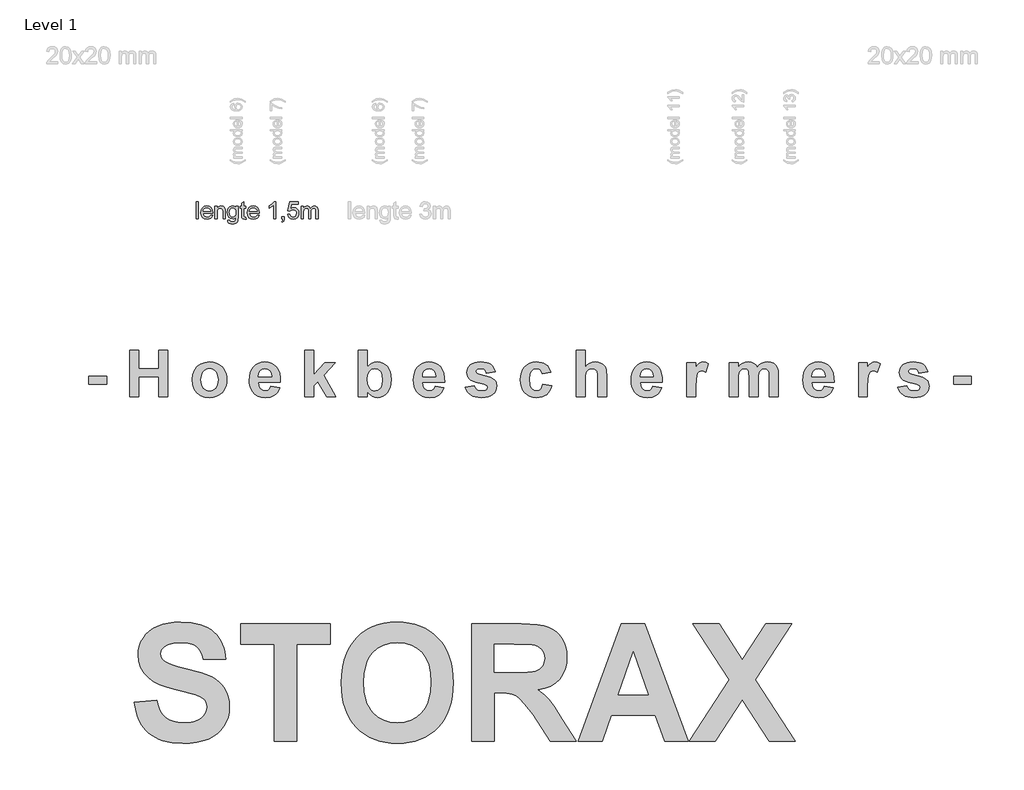
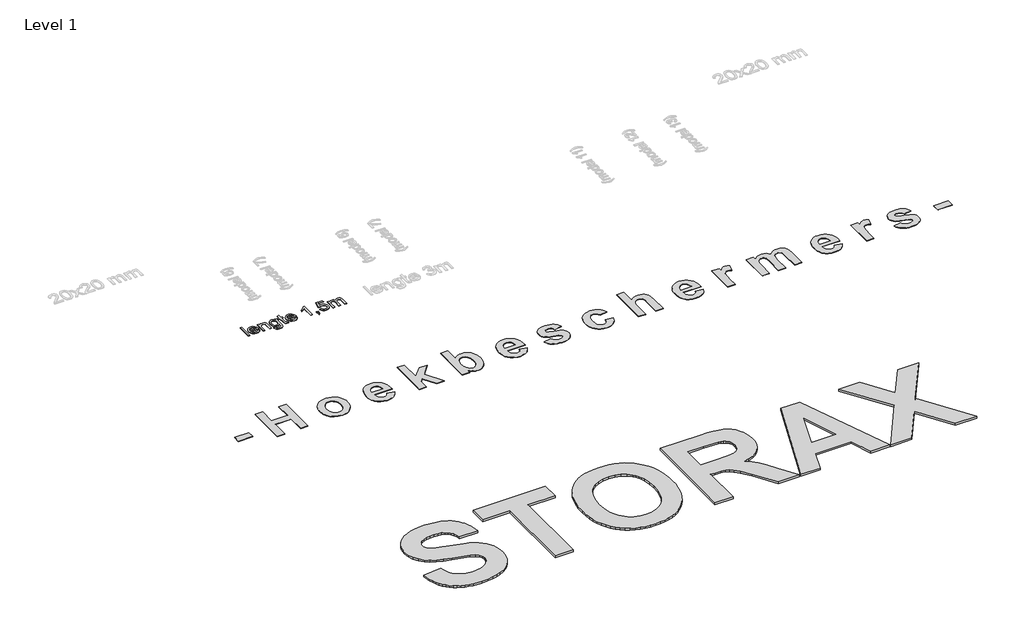
# One storey, part 1 of 5: 3 proxies.
"""IFC4 building model written with IfcOpenShell, lengths in millimetres."""

from ifc_helpers import new_model, si_unit, origin, origin_with_axes, place, context, project, spatial, polyline, outline, extrude, element, save

model = new_model("IFC4")

# Units and contexts
model_context = context("Model", 3, world=origin())
ifc_project = project(units=[si_unit("LENGTHUNIT", "METRE", prefix="MILLI")], contexts=[model_context])

# Site, building, storey
site = spatial("IfcSite", under=ifc_project)
building = spatial("IfcBuilding", under=site)
storey = spatial("IfcBuildingStorey", under=building, Name="Level 1", Elevation=0.0)

# Proxies
placement = place(None, origin())
element("IfcBuildingElementProxy", 1, Name="1000mm", ObjectType="1000mm", at=placement, inside=storey, context=model_context, shape_type="SweptSolid", body=[
    extrude(outline(polyline([(-3572.325103, -19296.9304702), (-3381.075103, -19280.9929702), (-3369.4955132, -19327.0311783), (-3353.184478, -19366.532521), (-3332.1419976, -19399.4969986), (-3306.3680718, -19425.9246109), (-3275.7848809, -19446.1888931), (-3240.314605, -19460.6633804), (-3199.9572441, -19469.3480728), (-3154.7127983, -19472.2429702), (-3107.1648857, -19469.682698), (-3065.873687, -19462.0018814), (-3030.8392021, -19449.2005203), (-3002.0614311, -19431.2786148), (-2979.6181938, -19409.932637), (-2963.5873101, -19386.8590591), (-2953.9687798, -19362.0578811), (-2950.762603, -19335.5291031), (-2956.085479, -19303.0004165), (-2972.0541069, -19275.6389663), (-3001.3454888, -19252.5109146), (-3046.6366265, -19232.6824234), (-3212.4862358, -19190.0994156), (-3289.4656059, -19169.3215225), (-3354.0560601, -19146.084523), (-3406.2575981, -19120.388417), (-3446.0702202, -19092.2332046), (-3487.3614189, -19048.6385391), (-3516.8551323, -19000.5303238), (-3534.5513603, -18947.9085586), (-3540.450103, -18890.7732437), (-3537.7419731, -18853.1707046), (-3529.6175835, -18816.8132827), (-3516.0769341, -18781.7009781), (-3497.1200249, -18747.8337906), (-3473.0581352, -18716.5657852), (-3444.2025444, -18689.2510269), (-3410.5532524, -18665.8895157), (-3372.1102593, -18646.4812515), (-3329.1692803, -18631.228566), (-3282.0260308, -18620.3337906), (-3230.6805107, -18613.7969253), (-3175.1327202, -18611.6179702), (-3086.7060539, -18617.049794), (-3046.8642494, -18623.8395736), (-3009.9367974, -18633.3452652), (-2975.9236977, -18645.5668686), (-2944.8249504, -18660.5043838), (-2916.6405556, -18678.1578109), (-2891.3705132, -18698.5271499), (-2868.9720223, -18721.1610458), (-2849.402282, -18745.6081436), (-2832.6612923, -18771.8684433), (-2818.7490532, -18799.9419449), (-2807.6655648, -18829.8286483), (-2799.4108269, -18861.5285537), (-2791.387603, -18930.3679702), (-2982.637603, -18930.3679702), (-2991.2833855, -18894.8276565), (-3003.7734673, -18864.6569107), (-3020.1078484, -18839.8557327), (-3040.2865288, -18820.4241226), (-3065.1499626, -18805.7706497), (-3095.538604, -18795.3038833), (-3131.4524529, -18789.0238235), (-3172.8915093, -18786.9304702), (-3216.0970757, -18789.1561172), (-3254.3221733, -18795.8330581), (-3287.5668022, -18806.961293), (-3315.8309624, -18822.5408218), (-3330.4299614, -18834.9608658), (-3340.8578179, -18849.3108413), (-3347.1145317, -18865.5907486), (-3349.200103, -18883.8005874), (-3347.3012993, -18900.7186172), (-3341.6048882, -18916.3604019), (-3332.1108696, -18930.7259414), (-3318.8192436, -18943.8152359), (-3292.6328728, -18959.7605179), (-3252.6723931, -18975.9703872), (-3198.9378044, -18992.444844), (-3131.4291069, -19009.1838882), (-3002.0303032, -19043.7358902), (-2951.8754265, -19061.6188858), (-2911.4168999, -19079.9065445), (-2877.73648, -19100.1007889), (-2847.9159233, -19123.7035415), (-2821.95523, -19150.7148025), (-2799.8543999, -19181.1345718), (-2782.2048638, -19215.141835), (-2769.5980522, -19252.9155777), (-2762.0339653, -19294.4557998), (-2759.512603, -19339.7625015), (-2762.4931023, -19381.9097183), (-2771.4346001, -19422.6873062), (-2786.3370964, -19462.0952652), (-2807.2005913, -19500.1335952), (-2833.5192559, -19535.0902603), (-2864.7872612, -19565.2532242), (-2901.0046074, -19590.6224869), (-2942.1712944, -19611.1980484), (-2988.4974358, -19627.1044204), (-3040.193145, -19638.4661148), (-3097.2584221, -19645.2831314), (-3159.6932671, -19647.5554702), (-3249.0615532, -19641.9602249), (-3289.6134636, -19634.9661682), (-3327.4105522, -19625.1744888), (-3362.4528191, -19612.5851867), (-3394.7402642, -19597.198262), (-3424.2728874, -19579.0137146), (-3451.050689, -19558.0315445), (-3475.1709435, -19534.3684814), (-3496.7309258, -19508.1412552), (-3515.7306359, -19479.3498657), (-3532.1700737, -19447.994313), (-3546.0492394, -19414.0745971), (-3557.3681328, -19377.5907181), (-3572.325103, -19296.9304702)])), origin_with_axes(), (0.0, 0.0, 1.0), 20.0),
    extrude(outline(polyline([(-2377.012603, -19631.6179702), (-2377.012603, -18802.8679702), (-2663.887603, -18802.8679702), (-2663.887603, -18627.5554702), (-1898.887603, -18627.5554702), (-1898.887603, -18802.8679702), (-2185.762603, -18802.8679702), (-2185.762603, -19631.6179702), (-2377.012603, -19631.6179702)])), origin_with_axes(), (0.0, 0.0, 1.0), 20.0),
    extrude(outline(polyline([(-1803.262603, -19135.8123062), (-1800.4455254, -19062.3192642), (-1791.9942925, -18994.9895523), (-1777.9089043, -18933.8231704), (-1758.1893608, -18878.8201187), (-1739.8472283, -18841.5677688), (-1718.4389946, -18806.2609146), (-1693.9646599, -18772.8995559), (-1666.4242241, -18741.4836929), (-1636.6581413, -18713.0094192), (-1605.5068657, -18688.4728286), (-1572.9703972, -18667.8739212), (-1539.0487358, -18651.2126968), (-1491.2051079, -18633.8900039), (-1439.812896, -18621.5166519), (-1384.8721001, -18614.0926407), (-1326.3827202, -18611.6179702), (-1273.2706902, -18613.7638519), (-1222.882354, -18620.2014969), (-1175.2177117, -18630.9309051), (-1130.2767632, -18645.9520767), (-1088.0595085, -18665.2650116), (-1048.5659477, -18688.8697098), (-1011.7960808, -18716.7661712), (-977.7499077, -18748.954396), (-947.1083519, -18784.9635742), (-920.5523369, -18824.3228958), (-898.0818627, -18867.0323608), (-879.6969292, -18913.0919693), (-865.3975365, -18962.5017212), (-855.1836846, -19015.2616165), (-849.0553734, -19071.3716552), (-847.012603, -19130.8318374), (-849.0398094, -19189.8776291), (-855.1214287, -19245.6160782), (-865.2574608, -19298.0471847), (-879.4479058, -19347.1709488), (-897.6927635, -19392.9873703), (-919.9920342, -19435.4964493), (-946.3457176, -19474.6981857), (-976.753814, -19510.5925796), (-1010.5587456, -19542.6932571), (-1047.1029351, -19570.5138443), (-1086.3863823, -19594.0543411), (-1128.4090874, -19613.3147476), (-1173.1710503, -19628.2950638), (-1220.672271, -19638.9952896), (-1270.9127495, -19645.4154251), (-1323.8924858, -19647.5554702), (-1377.4558708, -19645.4251526), (-1428.2021782, -19639.0341995), (-1476.131408, -19628.3826111), (-1521.2435601, -19613.4703872), (-1563.5386345, -19594.297528), (-1603.0166313, -19570.8640335), (-1639.6775505, -19543.1699035), (-1673.5213921, -19511.2151382), (-1703.9294884, -19475.5250213), (-1730.2831719, -19436.6248367), (-1752.5824425, -19394.5145843), (-1770.8273003, -19349.1942642), (-1785.0177452, -19300.6638763), (-1795.1537773, -19248.9234207), (-1801.2353966, -19193.9728973), (-1803.262603, -19135.8123062)]), holes=[polyline([(-1612.012603, -19128.8396499), (-1606.9309685, -19208.2625625), (-1591.6860649, -19277.4443863), (-1580.2523873, -19308.1948898), (-1566.2778923, -19336.3851211), (-1549.7625801, -19362.0150802), (-1530.7064507, -19385.0847671), (-1487.3063347, -19423.216481), (-1438.4121392, -19450.4534195), (-1384.023864, -19466.7955826), (-1324.1415093, -19472.2429702), (-1264.3214104, -19466.8344925), (-1210.1199028, -19450.6090591), (-1161.5369866, -19423.5666702), (-1118.5726616, -19385.7073257), (-1099.7499916, -19362.7212951), (-1083.437011, -19337.0310257), (-1069.6337197, -19308.6365173), (-1058.3401177, -19277.5377701), (-1043.2819817, -19207.2275589), (-1038.262603, -19126.1003921), (-1043.149688, -19046.1016128), (-1057.8109429, -18976.9353531), (-1068.806884, -18946.414418), (-1082.2463677, -18918.6016128), (-1098.1293938, -18893.4969375), (-1116.4559624, -18871.1003921), (-1158.7588188, -18834.2760513), (-1207.4740288, -18807.9729507), (-1262.6015923, -18792.1910904), (-1324.1415093, -18786.9304702), (-1385.7436821, -18792.2533462), (-1441.0580132, -18808.2219742), (-1490.0845024, -18834.836354), (-1532.8231499, -18872.0964859), (-1551.383178, -18894.7381637), (-1567.4685356, -18920.0801895), (-1581.0792229, -18948.1225631), (-1592.2152397, -18978.8652847), (-1607.0632622, -19048.4517715), (-1612.012603, -19128.8396499)])]), origin_with_axes(), (0.0, 0.0, 1.0), 20.0),
    extrude(outline(polyline([(-687.637603, -19631.6179702), (-687.637603, -18627.5554702), (-265.293853, -18627.5554702), (-191.0537407, -18629.2519424), (-127.7084038, -18634.3413589), (-75.2578423, -18642.8237198), (-33.7020561, -18654.6990249), (0.6009224, -18670.9166763), (31.293061, -18692.4260757), (58.3743599, -18719.2272232), (81.8448189, -18751.3201187), (100.801728, -18787.3195694), (114.3423774, -18825.8403824), (122.4667671, -18866.8825577), (125.174897, -18910.4460952), (121.2605598, -18964.7487686), (109.5175483, -19014.1021011), (89.9458626, -19058.5060928), (62.5455024, -19097.9607437), (27.347596, -19131.5166519), (-15.616729, -19158.2244156), (-66.3474724, -19178.0840347), (-124.8446343, -19191.0955093), (-69.3746636, -19231.063771), (-24.488189, -19274.7673843), (21.9546821, -19338.0815933), (82.0938423, -19436.8816421), (204.862397, -19631.6179702), (-18.5116265, -19631.6179702), (-163.941314, -19402.2673843), (-234.1970513, -19314.2064712), (-278.1185601, -19266.1760757), (-309.8067925, -19242.5499771), (-343.3627007, -19227.7019546), (-387.9067681, -19219.8577163), (-452.559478, -19217.2429702), (-496.387603, -19217.2429702), (-496.387603, -19631.6179702), (-687.637603, -19631.6179702)]), holes=[polyline([(-496.387603, -19041.9304702), (-338.7557671, -19041.9304702), (-214.3374321, -19039.0355728), (-173.676574, -19035.416951), (-147.3812554, -19030.3508804), (-113.3273003, -19014.600148), (-87.6156304, -18990.5071304), (-78.1916497, -18975.4956863), (-71.4602349, -18958.7255142), (-66.075103, -18919.9089859), (-67.849395, -18897.271199), (-73.172271, -18876.921315), (-82.0437309, -18858.8593338), (-94.4637749, -18843.0852554), (-110.1211235, -18829.8014114), (-128.7044976, -18819.2101333), (-150.213897, -18811.3114212), (-174.6493218, -18806.1052749), (-330.0399468, -18802.8679702), (-496.387603, -18802.8679702), (-496.387603, -19041.9304702)])]), origin_with_axes(), (0.0, 0.0, 1.0), 20.0),
    extrude(outline(polyline([(1161.112397, -19631.6179702), (960.1504829, -19631.6179702), (881.4590767, -19408.4929702), (502.1963814, -19408.4929702), (424.5010689, -19631.6179702), (220.799897, -19631.6179702), (587.362397, -18627.5554702), (791.0635689, -18627.5554702), (1161.112397, -19631.6179702)]), holes=[polyline([(820.199311, -19233.1804702), (690.956147, -18866.6179702), (563.456147, -19233.1804702), (820.199311, -19233.1804702)])]), origin_with_axes(), (0.0, 0.0, 1.0), 20.0),
    extrude(outline(polyline([(1169.081147, -19631.6179702), (1511.4883735, -19105.1824234), (1200.956147, -18627.5554702), (1424.5791939, -18627.5554702), (1623.299897, -18933.1072281), (1822.0206001, -18627.5554702), (2045.643647, -18627.5554702), (1735.1114204, -19105.1824234), (2077.518647, -19631.6179702), (1853.8956001, -19631.6179702), (1623.299897, -19277.0085952), (1392.7041939, -19631.6179702), (1169.081147, -19631.6179702)])), origin_with_axes(), (0.0, 0.0, 1.0), 20.0),
])
element("IfcBuildingElementProxy", 2, Name="150mm", ObjectType="150mm", at=placement, inside=storey, context=model_context, shape_type="SweptSolid", body=[
    extrude(outline(polyline([(-3042.6433799, -15166.826994), (-3042.6433799, -15019.1346863), (-3024.1818414, -15019.1346863), (-3024.1818414, -15166.826994), (-3042.6433799, -15166.826994)])), origin_with_axes(), (0.0, 0.0, 1.0), 5.0),
    extrude(outline(polyline([(-2920.5520337, -15134.5193017), (-2902.4510722, -15136.826994), (-2908.9730073, -15150.4658161), (-2919.3801587, -15160.6611286), (-2933.4381515, -15167.0162968), (-2950.9126106, -15169.1346863), (-2972.5742693, -15165.4793377), (-2989.2419376, -15154.513292), (-2999.8699424, -15136.9486887), (-3003.4126106, -15113.497667), (-2999.8338847, -15089.2578834), (-2989.0977068, -15071.1298786), (-2972.6553991, -15059.825792), (-2951.9582837, -15056.0577632), (-2931.9056996, -15059.8167776), (-2915.8825626, -15071.0938209), (-2905.3762525, -15089.185768), (-2901.8741491, -15113.389494), (-2901.9823222, -15118.3654555), (-2984.9510722, -15118.3654555), (-2981.7554592, -15132.1845661), (-2974.3320818, -15142.3438209), (-2963.61844, -15148.5908161), (-2950.5520337, -15150.6731478), (-2932.4510722, -15146.8149747), (-2920.5520337, -15134.5193017)]), holes=[polyline([(-2984.9510722, -15099.903917), (-2920.3356876, -15099.903917), (-2922.8326828, -15090.1503113), (-2927.7275145, -15083.1731478), (-2938.4907356, -15076.6827632), (-2952.0303991, -15074.5193017), (-2964.4748102, -15076.2455637), (-2974.7647741, -15081.4243497), (-2981.9177188, -15089.4967656), (-2984.9510722, -15099.903917)])]), origin_with_axes(), (0.0, 0.0, 1.0), 5.0),
    extrude(outline(polyline([(-2883.4126106, -15166.826994), (-2883.4126106, -15058.3654555), (-2864.9510722, -15058.3654555), (-2864.9510722, -15073.5096863), (-2850.8344856, -15060.420744), (-2831.5616491, -15056.0577632), (-2814.1277549, -15059.5733882), (-2802.2287164, -15068.8041574), (-2796.6938606, -15082.3798786), (-2795.7203029, -15100.2284363), (-2795.7203029, -15166.826994), (-2814.1818414, -15166.826994), (-2814.1818414, -15102.716417), (-2816.3092453, -15086.3822824), (-2823.8272741, -15077.7464651), (-2836.5015529, -15074.5193017), (-2847.3143534, -15076.3312007), (-2856.531601, -15081.7668978), (-2862.8462044, -15092.2687007), (-2864.9510722, -15109.278917), (-2864.9510722, -15166.826994), (-2883.4126106, -15166.826994)])), origin_with_axes(), (0.0, 0.0, 1.0), 5.0),
    extrude(outline(polyline([(-2774.9510722, -15176.0577632), (-2756.4895337, -15178.3654555), (-2750.5039568, -15188.1010324), (-2732.5832837, -15192.2116093), (-2713.6890529, -15187.560167), (-2704.6746299, -15174.5072824), (-2703.4126106, -15152.9808401), (-2716.4114087, -15163.3654555), (-2732.2587645, -15166.826994), (-2751.2927188, -15162.7975468), (-2765.4859279, -15150.7092055), (-2774.3155554, -15132.9868497), (-2777.2587645, -15112.0553593), (-2771.9763126, -15083.4435805), (-2765.5129712, -15071.8284964), (-2756.687851, -15063.1971863), (-2745.8029352, -15057.842619), (-2733.1602068, -15056.0577632), (-2716.6908558, -15060.0962247), (-2703.4126106, -15072.2116093), (-2703.4126106, -15058.3654555), (-2684.9510722, -15058.3654555), (-2684.9510722, -15152.0072824), (-2686.2130914, -15173.6283762), (-2689.9991491, -15187.8666574), (-2696.5210842, -15197.3092656), (-2705.9907356, -15204.5433401), (-2718.2007717, -15209.1406959), (-2732.9438606, -15210.6731478), (-2750.1208438, -15208.5141935), (-2763.6469856, -15202.0373305), (-2772.3233679, -15191.22453), (-2774.9510722, -15176.0577632)]), holes=[polyline([(-2758.797226, -15110.7933401), (-2756.8275746, -15127.7269339), (-2750.9186203, -15139.3690613), (-2742.0349063, -15146.1163569), (-2731.140976, -15148.3654555), (-2720.3281755, -15146.1298786), (-2711.3993895, -15139.4231478), (-2705.4093054, -15127.9297584), (-2703.4126106, -15111.3342055), (-2705.4678991, -15095.3290973), (-2711.6337645, -15083.8041574), (-2720.6932597, -15076.8405156), (-2731.4294376, -15074.5193017), (-2741.9718054, -15076.8044579), (-2750.8104472, -15083.6599267), (-2756.8005313, -15095.0135925), (-2758.797226, -15110.7933401)])]), origin_with_axes(), (0.0, 0.0, 1.0), 5.0),
    extrude(outline(polyline([(-2618.0279953, -15151.4303593), (-2615.7203029, -15167.3678593), (-2629.5303991, -15169.1346863), (-2644.9991491, -15166.0697824), (-2652.7154953, -15158.028917), (-2654.9510722, -15137.0793978), (-2654.9510722, -15076.826994), (-2668.797226, -15076.826994), (-2668.797226, -15058.3654555), (-2654.9510722, -15058.3654555), (-2654.9510722, -15032.0072824), (-2636.4895337, -15021.153917), (-2636.4895337, -15058.3654555), (-2618.0279953, -15058.3654555), (-2618.0279953, -15076.826994), (-2636.4895337, -15076.826994), (-2636.4895337, -15136.5385324), (-2635.515976, -15146.0577632), (-2632.3609279, -15149.4291574), (-2626.0688606, -15150.6731478), (-2618.0279953, -15151.4303593)])), origin_with_axes(), (0.0, 0.0, 1.0), 5.0),
    extrude(outline(polyline([(-2523.6289568, -15134.5193017), (-2505.5279953, -15136.826994), (-2512.0499304, -15150.4658161), (-2522.4570818, -15160.6611286), (-2536.5150746, -15167.0162968), (-2553.9895337, -15169.1346863), (-2575.6511924, -15165.4793377), (-2592.3188606, -15154.513292), (-2602.9468654, -15136.9486887), (-2606.4895337, -15113.497667), (-2602.9108078, -15089.2578834), (-2592.1746299, -15071.1298786), (-2575.7323222, -15059.825792), (-2555.0352068, -15056.0577632), (-2534.9826227, -15059.8167776), (-2518.9594856, -15071.0938209), (-2508.4531755, -15089.185768), (-2504.9510722, -15113.389494), (-2505.0592453, -15118.3654555), (-2588.0279953, -15118.3654555), (-2584.8323823, -15132.1845661), (-2577.4090049, -15142.3438209), (-2566.695363, -15148.5908161), (-2553.6289568, -15150.6731478), (-2535.5279953, -15146.8149747), (-2523.6289568, -15134.5193017)]), holes=[polyline([(-2588.0279953, -15099.903917), (-2523.4126106, -15099.903917), (-2525.9096058, -15090.1503113), (-2530.8044376, -15083.1731478), (-2541.5676587, -15076.6827632), (-2555.1073222, -15074.5193017), (-2567.5517332, -15076.2455637), (-2577.8416972, -15081.4243497), (-2584.9946419, -15089.4967656), (-2588.0279953, -15099.903917)])]), origin_with_axes(), (0.0, 0.0, 1.0), 5.0),
    extrude(outline(polyline([(-2364.1818414, -15166.826994), (-2382.6433799, -15166.826994), (-2382.6433799, -15051.7308401), (-2400.1313606, -15064.1887728), (-2419.5664568, -15073.5096863), (-2419.5664568, -15056.0577632), (-2392.5051587, -15038.7861286), (-2376.0808799, -15019.1346863), (-2364.1818414, -15019.1346863), (-2364.1818414, -15166.826994)])), origin_with_axes(), (0.0, 0.0, 1.0), 5.0),
    extrude(outline(polyline([(-2311.1049183, -15166.826994), (-2311.1049183, -15148.3654555), (-2292.6433799, -15148.3654555), (-2292.6433799, -15166.826994), (-2295.9606876, -15185.7031959), (-2306.4895337, -15196.826994), (-2311.1049183, -15189.903917), (-2304.3260722, -15181.935167), (-2301.9102068, -15166.826994), (-2311.1049183, -15166.826994)])), origin_with_axes(), (0.0, 0.0, 1.0), 5.0),
    extrude(outline(polyline([(-2262.6433799, -15127.5962247), (-2244.1818414, -15125.2885324), (-2240.7924183, -15136.3717656), (-2234.8789568, -15144.3089651), (-2226.4685001, -15149.0821021), (-2215.5880914, -15150.6731478), (-2202.3549183, -15148.4601069), (-2192.4390529, -15141.8209843), (-2186.2461443, -15131.522006), (-2184.1818414, -15118.3293978), (-2186.1154352, -15105.9075228), (-2191.9162164, -15096.4063209), (-2201.6292573, -15090.3756718), (-2215.2996299, -15088.3654555), (-2231.5075626, -15091.5745901), (-2241.8741491, -15099.903917), (-2260.3356876, -15097.5962247), (-2244.1818414, -15021.4423786), (-2172.6433799, -15021.4423786), (-2172.6433799, -15039.903917), (-2229.2539568, -15039.903917), (-2237.1505914, -15080.576994), (-2223.9624904, -15072.5721863), (-2210.1433799, -15069.903917), (-2192.8942813, -15073.2122103), (-2178.5748703, -15083.1370901), (-2168.9339448, -15098.263292), (-2165.7203029, -15117.1755517), (-2168.6139328, -15135.6370901), (-2177.2948222, -15151.4303593), (-2193.9174183, -15164.7086045), (-2215.6602068, -15169.1346863), (-2233.7927188, -15166.2906358), (-2248.2383318, -15157.7584843), (-2258.1406755, -15144.5298185), (-2262.6433799, -15127.5962247)])), origin_with_axes(), (0.0, 0.0, 1.0), 5.0),
    extrude(outline(polyline([(-2144.9510722, -15166.826994), (-2144.9510722, -15058.3654555), (-2126.4895337, -15058.3654555), (-2126.4895337, -15076.2140132), (-2113.797226, -15061.592619), (-2095.7323222, -15056.0577632), (-2085.4648943, -15057.4685204), (-2077.234726, -15061.700792), (-2067.0664568, -15077.5120901), (-2052.6614087, -15061.4213449), (-2034.4703029, -15056.0577632), (-2020.5925986, -15058.2888329), (-2010.3296779, -15064.982042), (-2003.9880313, -15076.3176791), (-2001.8741491, -15092.4760324), (-2001.8741491, -15166.826994), (-2020.3356876, -15166.826994), (-2020.3356876, -15100.4087247), (-2022.0484279, -15084.9940613), (-2028.250351, -15077.403917), (-2038.797226, -15074.5193017), (-2048.7987284, -15076.3672584), (-2056.9522741, -15081.9111286), (-2062.3744496, -15091.529518), (-2064.1818414, -15105.6010324), (-2064.1818414, -15166.826994), (-2082.6433799, -15166.826994), (-2082.6433799, -15098.3534363), (-2086.9162164, -15080.4688209), (-2092.554738, -15076.0066815), (-2100.9246299, -15074.5193017), (-2114.5904953, -15078.4856478), (-2123.6770337, -15090.0962247), (-2126.4895337, -15112.1274747), (-2126.4895337, -15166.826994), (-2144.9510722, -15166.826994)])), origin_with_axes(), (0.0, 0.0, 1.0), 5.0),
])
element("IfcBuildingElementProxy", 3, Name="400mm", ObjectType="400mm", at=placement, inside=storey, context=model_context, shape_type="SweptSolid", body=[
    extrude(outline(polyline([(-3961.2519707, -16579.3222853), (-3961.2519707, -16509.4810154), (-3808.8710183, -16509.4810154), (-3808.8710183, -16579.3222853), (-3961.2519707, -16579.3222853)])), origin_with_axes(), (0.0, 0.0, 1.0), 5.0),
    extrude(outline(polyline([(-3612.0456215, -16687.2587932), (-3612.0456215, -16287.2587932), (-3535.8551453, -16287.2587932), (-3535.8551453, -16445.9889519), (-3364.4265738, -16445.9889519), (-3364.4265738, -16287.2587932), (-3288.2360977, -16287.2587932), (-3288.2360977, -16687.2587932), (-3364.4265738, -16687.2587932), (-3364.4265738, -16515.8302218), (-3535.8551453, -16515.8302218), (-3535.8551453, -16687.2587932), (-3612.0456215, -16687.2587932)])), origin_with_axes(), (0.0, 0.0, 1.0), 5.0),
    extrude(outline(polyline([(-3078.7122881, -16537.0603805), (-3074.0123873, -16499.2751622), (-3059.912685, -16462.7052218), (-3037.2068318, -16430.9963924), (-3006.6884786, -16407.7945075), (-2970.2549469, -16393.583198), (-2929.803558, -16388.8460948), (-2898.4512514, -16391.5308666), (-2870.068935, -16399.5851821), (-2844.6566086, -16413.0090412), (-2822.2142723, -16431.802444), (-2803.8765986, -16454.7005095), (-2790.7782604, -16480.4383567), (-2782.9192574, -16509.0159857), (-2780.2995897, -16540.4333964), (-2782.9471592, -16572.1019232), (-2790.8898675, -16600.9368686), (-2804.1277147, -16626.9382327), (-2822.6607008, -16650.1060154), (-2845.2053437, -16669.1381335), (-2870.4781611, -16682.7325035), (-2898.4791532, -16690.8891255), (-2929.2083199, -16693.6079995), (-2968.0600064, -16689.0817099), (-3005.0515738, -16675.5028408), (-3036.7976056, -16653.1690114), (-3059.912685, -16622.3778408), (-3074.0123873, -16583.5385551), (-3078.7122881, -16537.0603805)]), holes=[polyline([(-3002.5218119, -16541.2270472), (-2997.2514746, -16581.9636543), (-2990.663553, -16598.2861989), (-2981.4404627, -16611.911571), (-2970.2828486, -16622.6537585), (-2957.8913556, -16630.3267495), (-2944.2659836, -16634.9305442), (-2929.4067326, -16636.4651424), (-2914.553682, -16634.9305442), (-2900.9469111, -16630.3267495), (-2888.5864201, -16622.6537585), (-2877.4722088, -16611.911571), (-2868.2925213, -16598.2489966), (-2861.7356016, -16581.8148448), (-2856.4900659, -16540.6318091), (-2861.7356016, -16500.3416305), (-2868.2925213, -16484.130693), (-2877.4722088, -16470.5425234), (-2888.5864201, -16459.8003359), (-2900.9469111, -16452.1273448), (-2914.553682, -16447.5235501), (-2929.4067326, -16445.9889519), (-2944.2659836, -16447.5235501), (-2957.8913556, -16452.1273448), (-2970.2828486, -16459.8003359), (-2981.4404627, -16470.5425234), (-2990.663553, -16484.1678954), (-2997.2514746, -16500.49044), (-3002.5218119, -16541.2270472)])]), origin_with_axes(), (0.0, 0.0, 1.0), 5.0),
    extrude(outline(polyline([(-2405.6964151, -16598.3699043), (-2329.5059389, -16611.068317), (-2348.0575262, -16646.6213924), (-2360.4583199, -16660.7799985), (-2374.9424469, -16672.5266503), (-2391.4417028, -16681.7497406), (-2409.8878834, -16688.3376622), (-2452.6210183, -16693.6079995), (-2487.1262266, -16690.5016007), (-2516.8323278, -16681.1824043), (-2541.7393219, -16665.6504103), (-2561.8472088, -16643.9056186), (-2574.0867921, -16622.7064618), (-2582.8293516, -16598.8907376), (-2588.0748873, -16572.458446), (-2589.8233992, -16543.4095868), (-2587.5044508, -16509.1585948), (-2580.5476056, -16478.8262535), (-2568.9528635, -16452.412563), (-2552.7202246, -16429.9175234), (-2532.9409588, -16411.9487734), (-2510.7063358, -16399.1139519), (-2486.0163556, -16391.4130591), (-2458.8710183, -16388.8460948), (-2428.7060877, -16391.4812634), (-2401.9017723, -16399.3867694), (-2378.4580719, -16412.5626126), (-2358.3749865, -16431.0087932), (-2342.3717623, -16454.8989222), (-2331.1676453, -16484.4066107), (-2324.7626354, -16519.5318587), (-2323.1567326, -16560.2746662), (-2513.6329231, -16560.2746662), (-2508.7470104, -16592.3679202), (-2495.6765738, -16616.4254599), (-2476.4057405, -16631.4552218), (-2452.9186373, -16636.4651424), (-2436.9216135, -16634.208198), (-2423.6527643, -16627.4373646), (-2413.2112961, -16615.6566107), (-2405.6964151, -16598.3699043)]), holes=[polyline([(-2399.3472088, -16515.8302218), (-2403.9851056, -16485.708694), (-2416.3114945, -16463.7964916), (-2434.2182405, -16450.4408368), (-2455.5972088, -16445.9889519), (-2478.1666532, -16450.6764519), (-2496.4702246, -16464.7389519), (-2508.4741929, -16486.9363726), (-2512.3432405, -16515.8302218), (-2399.3472088, -16515.8302218)])]), origin_with_axes(), (0.0, 0.0, 1.0), 5.0),
    extrude(outline(polyline([(-2113.6329231, -16687.2587932), (-2113.6329231, -16287.2587932), (-2037.4424469, -16287.2587932), (-2037.4424469, -16498.0722853), (-1945.3789548, -16395.1953011), (-1856.4900659, -16395.1953011), (-1954.4067326, -16502.536571), (-1850.1408596, -16687.2587932), (-1926.3313358, -16687.2587932), (-2003.4146691, -16556.4056186), (-2037.4424469, -16593.7072059), (-2037.4424469, -16687.2587932), (-2113.6329231, -16687.2587932)])), origin_with_axes(), (0.0, 0.0, 1.0), 5.0),
    extrude(outline(polyline([(-1656.4900659, -16687.2587932), (-1656.4900659, -16287.2587932), (-1580.2995897, -16287.2587932), (-1580.2995897, -16428.8262535), (-1562.0332207, -16411.3349341), (-1542.1547484, -16398.8411345), (-1520.6641731, -16391.3448547), (-1497.5614945, -16388.8460948), (-1472.5986969, -16391.2580491), (-1449.8928437, -16398.4939122), (-1429.443935, -16410.5536841), (-1411.2519707, -16427.4373646), (-1396.3214151, -16448.8349341), (-1385.6567326, -16474.4363726), (-1379.2579231, -16504.2416801), (-1377.1249865, -16538.2508567), (-1379.2455223, -16573.4133071), (-1385.6071294, -16604.2974837), (-1396.209808, -16630.9033864), (-1411.053558, -16653.2310154), (-1428.9231016, -16670.895946), (-1448.6031611, -16683.5137535), (-1470.0937365, -16691.084438), (-1493.3948278, -16693.6079995), (-1517.0431413, -16690.5574043), (-1540.3690342, -16681.4056186), (-1561.9340143, -16666.2518487), (-1580.2995897, -16645.1953011), (-1580.2995897, -16687.2587932), (-1656.4900659, -16687.2587932)]), holes=[polyline([(-1580.2995897, -16535.6714916), (-1576.7777643, -16576.2964916), (-1566.2122881, -16604.7191107), (-1555.5724072, -16618.6079995), (-1543.2956215, -16628.5286345), (-1529.381931, -16634.4810154), (-1513.8313358, -16636.4651424), (-1490.5798477, -16630.8351821), (-1471.0237961, -16613.9453011), (-1463.2764002, -16601.0732773), (-1457.7425461, -16584.9770472), (-1453.3154627, -16543.1119678), (-1457.7673477, -16498.7295273), (-1463.3322038, -16481.9419529), (-1471.1230024, -16468.7568091), (-1491.4479032, -16451.6809162), (-1516.8075262, -16445.9889519), (-1541.7951254, -16451.5445075), (-1562.194431, -16468.2111741), (-1570.1154379, -16480.7607773), (-1575.7733, -16496.1873646), (-1580.2995897, -16535.6714916)])]), origin_with_axes(), (0.0, 0.0, 1.0), 5.0),
    extrude(outline(polyline([(-1002.5218119, -16598.3699043), (-926.3313358, -16611.068317), (-944.8829231, -16646.6213924), (-957.2837167, -16660.7799985), (-971.7678437, -16672.5266503), (-988.2670996, -16681.7497406), (-1006.7132802, -16688.3376622), (-1049.4464151, -16693.6079995), (-1083.9516234, -16690.5016007), (-1113.6577246, -16681.1824043), (-1138.5647187, -16665.6504103), (-1158.6726056, -16643.9056186), (-1170.9121889, -16622.7064618), (-1179.6547484, -16598.8907376), (-1184.9002842, -16572.458446), (-1186.6487961, -16543.4095868), (-1184.3298477, -16509.1585948), (-1177.3730024, -16478.8262535), (-1165.7782604, -16452.412563), (-1149.5456215, -16429.9175234), (-1129.7663556, -16411.9487734), (-1107.5317326, -16399.1139519), (-1082.8417524, -16391.4130591), (-1055.6964151, -16388.8460948), (-1025.5314846, -16391.4812634), (-998.7271691, -16399.3867694), (-975.2834687, -16412.5626126), (-955.2003834, -16431.0087932), (-939.1971592, -16454.8989222), (-927.9930421, -16484.4066107), (-921.5880322, -16519.5318587), (-919.9821294, -16560.2746662), (-1110.4583199, -16560.2746662), (-1105.5724072, -16592.3679202), (-1092.5019707, -16616.4254599), (-1073.2311373, -16631.4552218), (-1049.7440342, -16636.4651424), (-1033.7470104, -16634.208198), (-1020.4781611, -16627.4373646), (-1010.0366929, -16615.6566107), (-1002.5218119, -16598.3699043)]), holes=[polyline([(-996.1726056, -16515.8302218), (-1000.8105024, -16485.708694), (-1013.1368913, -16463.7964916), (-1031.0436373, -16450.4408368), (-1052.4226056, -16445.9889519), (-1074.99205, -16450.6764519), (-1093.2956215, -16464.7389519), (-1105.2995897, -16486.9363726), (-1109.1686373, -16515.8302218), (-996.1726056, -16515.8302218)])]), origin_with_axes(), (0.0, 0.0, 1.0), 5.0),
    extrude(outline(polyline([(-742.2043516, -16604.7191107), (-666.0138754, -16592.020698), (-658.7594111, -16611.2171265), (-646.5198278, -16625.1556186), (-628.8734984, -16633.6377614), (-605.3987961, -16636.4651424), (-579.9275659, -16633.7617694), (-561.6487961, -16625.6516503), (-554.2083199, -16616.8222853), (-551.7281611, -16605.4135551), (-556.9860977, -16591.1278408), (-581.8868913, -16581.1079995), (-655.4732008, -16561.6139519), (-696.0733992, -16543.8064122), (-710.7001354, -16530.8537833), (-721.147804, -16515.6070075), (-727.4164052, -16498.0660849), (-729.5059389, -16478.2310154), (-727.7140242, -16460.0824539), (-722.3382802, -16443.4343884), (-713.3787068, -16428.286819), (-700.835304, -16414.6397456), (-684.52206, -16403.3550234), (-664.2529627, -16395.2945075), (-640.0280123, -16390.458198), (-611.8472088, -16388.8460948), (-561.8720104, -16394.0544281), (-542.4089647, -16400.5648448), (-526.6289548, -16409.6794281), (-513.7755322, -16421.3485749), (-503.0922484, -16435.5226821), (-488.2360977, -16471.3857773), (-564.4265738, -16484.08419), (-570.0317326, -16467.7895472), (-579.1091135, -16455.8103805), (-592.2043516, -16448.4443091), (-609.8630818, -16445.9889519), (-631.5644707, -16448.0722853), (-646.0733992, -16454.3222853), (-651.5049469, -16461.1675234), (-653.3154627, -16469.7984757), (-651.5049469, -16477.2637535), (-646.0733992, -16483.5881583), (-624.3596096, -16492.6903408), (-578.662685, -16504.9175234), (-529.6919508, -16520.3193091), (-498.1567326, -16538.9453011), (-488.2608992, -16550.223823), (-481.1924469, -16563.5236741), (-475.537685, -16596.1873646), (-477.5869161, -16615.4736989), (-483.7346096, -16633.3525432), (-493.9807653, -16649.8238974), (-508.3253834, -16664.8877614), (-526.6878586, -16677.4528656), (-548.9875858, -16686.42794), (-575.2245649, -16691.8129847), (-605.3987961, -16693.6079995), (-633.0432653, -16692.1137039), (-657.6433397, -16687.630817), (-679.1990193, -16680.1593388), (-697.710304, -16669.6992694), (-713.2329975, -16656.6722357), (-725.8229032, -16641.4998646), (-735.4800213, -16624.1821563), (-742.2043516, -16604.7191107)])), origin_with_axes(), (0.0, 0.0, 1.0), 5.0),
    extrude(outline(polyline([(-12.0456215, -16477.7349837), (-88.2360977, -16490.4333964), (-94.0768715, -16471.0509559), (-104.4563358, -16457.1496662), (-119.0024667, -16448.7791305), (-137.3432405, -16445.9889519), (-161.4999865, -16451.2220868), (-180.2003834, -16466.9214916), (-187.1882306, -16479.1424737), (-192.17955, -16494.8728805), (-196.1726056, -16536.8619678), (-192.0183397, -16583.4145472), (-186.8255074, -16600.6826523), (-179.5555421, -16613.9453011), (-160.0986969, -16630.8351821), (-134.9622881, -16636.4651424), (-115.9270699, -16633.2533368), (-100.6864945, -16623.6179202), (-89.3149667, -16606.1204003), (-81.8868913, -16579.3222853), (-5.6964151, -16592.020698), (-12.7183645, -16615.6287089), (-22.3754826, -16636.1551226), (-34.6677693, -16653.599939), (-49.5952246, -16667.9631583), (-67.2198526, -16679.1827763), (-87.6036572, -16687.1967892), (-110.7466383, -16692.005197), (-136.6487961, -16693.6079995), (-166.0789796, -16691.084438), (-192.3655619, -16683.5137535), (-215.5085431, -16670.895946), (-235.5079231, -16653.2310154), (-251.632055, -16631.1079995), (-263.1492921, -16605.115936), (-270.0596344, -16575.2548249), (-272.3630818, -16541.5246662), (-270.0751354, -16507.4131831), (-263.2112961, -16477.3009559), (-251.7715639, -16451.1879847), (-235.7559389, -16429.0742694), (-215.8340639, -16411.474443), (-192.6755818, -16398.9031384), (-166.2804925, -16391.3603557), (-136.6487961, -16388.8460948), (-90.7906611, -16394.3396464), (-71.7864449, -16401.2065859), (-55.3987961, -16410.8203011), (-41.3796988, -16423.2427962), (-29.4811373, -16438.5360749), (-12.0456215, -16477.7349837)])), origin_with_axes(), (0.0, 0.0, 1.0), 5.0),
    extrude(outline(polyline([(280.0178706, -16287.2587932), (280.0178706, -16432.100063), (299.1584956, -16413.1764519), (320.0724341, -16399.6595868), (342.7596861, -16391.5494678), (367.2202516, -16388.8460948), (392.0218389, -16391.3138527), (414.2440611, -16398.7171265), (432.5972357, -16409.9770472), (445.7916801, -16424.0147456), (454.7202516, -16440.2473845), (460.2758071, -16458.0921265), (464.1448547, -16516.0286345), (464.1448547, -16687.2587932), (387.9543785, -16687.2587932), (387.9543785, -16531.9016503), (386.8879103, -16494.0420273), (383.6885055, -16473.1218884), (377.7857277, -16461.9487734), (368.6091404, -16453.3302218), (356.4563627, -16447.8242694), (341.6250135, -16445.9889519), (323.9662833, -16448.3451027), (308.2916801, -16455.4135551), (295.5808666, -16467.2191107), (286.8135055, -16483.786571), (281.7167793, -16507.2984757), (280.0178706, -16539.9373646), (280.0178706, -16687.2587932), (203.8273944, -16687.2587932), (203.8273944, -16287.2587932), (280.0178706, -16287.2587932)])), origin_with_axes(), (0.0, 0.0, 1.0), 5.0),
    extrude(outline(polyline([(857.7956484, -16598.3699043), (933.9861246, -16611.068317), (915.4345373, -16646.6213924), (903.0337436, -16660.7799985), (888.5496166, -16672.5266503), (872.0503607, -16681.7497406), (853.6041801, -16688.3376622), (810.8710452, -16693.6079995), (776.3658369, -16690.5016007), (746.6597357, -16681.1824043), (721.7527416, -16665.6504103), (701.6448547, -16643.9056186), (689.4052714, -16622.7064618), (680.6627119, -16598.8907376), (675.4171762, -16572.458446), (673.6686642, -16543.4095868), (675.9876127, -16509.1585948), (682.9444579, -16478.8262535), (694.5392, -16452.412563), (710.7718389, -16429.9175234), (730.5511047, -16411.9487734), (752.7857277, -16399.1139519), (777.4757079, -16391.4130591), (804.6210452, -16388.8460948), (834.7859758, -16391.4812634), (861.5902912, -16399.3867694), (885.0339916, -16412.5626126), (905.1170769, -16431.0087932), (921.1203012, -16454.8989222), (932.3244182, -16484.4066107), (938.7294281, -16519.5318587), (940.3353309, -16560.2746662), (749.8591404, -16560.2746662), (754.7450531, -16592.3679202), (767.8154896, -16616.4254599), (787.086323, -16631.4552218), (810.5734262, -16636.4651424), (826.57045, -16634.208198), (839.8392992, -16627.4373646), (850.2807674, -16615.6566107), (857.7956484, -16598.3699043)]), holes=[polyline([(864.1448547, -16515.8302218), (859.5069579, -16485.708694), (847.180569, -16463.7964916), (829.273823, -16450.4408368), (807.8948547, -16445.9889519), (785.3254103, -16450.6764519), (767.0218389, -16464.7389519), (755.0178706, -16486.9363726), (751.148823, -16515.8302218), (864.1448547, -16515.8302218)])]), origin_with_axes(), (0.0, 0.0, 1.0), 5.0),
    extrude(outline(polyline([(1226.0496166, -16687.2587932), (1149.8591404, -16687.2587932), (1149.8591404, -16395.1953011), (1226.0496166, -16395.1953011), (1226.0496166, -16435.8699043), (1242.1458468, -16411.9487734), (1256.5059658, -16397.9234757), (1270.9404896, -16391.11544), (1287.2599341, -16388.8460948), (1311.0446563, -16392.8639519), (1333.9861246, -16404.9175234), (1311.7639023, -16477.4373646), (1293.4107277, -16468.1367694), (1276.446442, -16465.036571), (1261.8011047, -16467.2067099), (1249.6111246, -16473.7171265), (1239.8144976, -16485.8823051), (1232.3492198, -16505.0167297), (1227.6245174, -16540.036571), (1226.0496166, -16599.8579995), (1226.0496166, -16687.2587932)])), origin_with_axes(), (0.0, 0.0, 1.0), 5.0),
    extrude(outline(polyline([(1511.7639023, -16395.1953011), (1587.9543785, -16395.1953011), (1587.9543785, -16434.2826027), (1606.7105789, -16414.4041305), (1627.1656881, -16400.2052218), (1649.3197059, -16391.6858765), (1673.1726325, -16388.8460948), (1697.7138031, -16391.6362734), (1718.75795, -16400.0068091), (1736.3298746, -16414.0321067), (1750.4543785, -16433.786571), (1769.9608269, -16414.0321067), (1790.9801722, -16400.0068091), (1813.4876127, -16391.6362734), (1837.4583468, -16388.8460948), (1866.4017992, -16392.1075035), (1890.5337436, -16401.8917297), (1909.5317595, -16418.0003607), (1923.0734262, -16440.2349837), (1928.8769976, -16464.6645472), (1930.8115214, -16500.6516503), (1930.8115214, -16687.2587932), (1854.6210452, -16687.2587932), (1854.6210452, -16519.1040313), (1852.6865214, -16483.1169281), (1846.88295, -16462.6556186), (1833.7381087, -16450.1556186), (1814.9385055, -16445.9889519), (1799.7227317, -16448.4815114), (1785.4246166, -16455.95919), (1773.5198547, -16468.2483765), (1765.4841404, -16485.1754599), (1760.9082476, -16510.0018487), (1759.38295, -16545.9889519), (1759.38295, -16687.2587932), (1683.1924738, -16687.2587932), (1683.1924738, -16526.0484757), (1679.2242198, -16470.6417297), (1674.1770968, -16459.7786345), (1666.9722357, -16452.0901424), (1657.1880095, -16447.5142495), (1644.4027912, -16445.9889519), (1628.1081484, -16448.4071067), (1613.5496166, -16455.661571), (1601.7936642, -16467.4919281), (1593.9067595, -16483.6377614), (1589.4424738, -16507.9557178), (1587.9543785, -16544.302444), (1587.9543785, -16687.2587932), (1511.7639023, -16687.2587932), (1511.7639023, -16395.1953011)])), origin_with_axes(), (0.0, 0.0, 1.0), 5.0),
    extrude(outline(polyline([(2324.462315, -16598.3699043), (2400.6527912, -16611.068317), (2382.1012039, -16646.6213924), (2369.7004103, -16660.7799985), (2355.2162833, -16672.5266503), (2338.7170273, -16681.7497406), (2320.2708468, -16688.3376622), (2277.5377119, -16693.6079995), (2243.0325035, -16690.5016007), (2213.3264023, -16681.1824043), (2188.4194083, -16665.6504103), (2168.3115214, -16643.9056186), (2156.0719381, -16622.7064618), (2147.3293785, -16598.8907376), (2142.0838428, -16572.458446), (2140.3353309, -16543.4095868), (2142.6542793, -16509.1585948), (2149.6111246, -16478.8262535), (2161.2058666, -16452.412563), (2177.4385055, -16429.9175234), (2197.2177714, -16411.9487734), (2219.4523944, -16399.1139519), (2244.1423746, -16391.4130591), (2271.2877119, -16388.8460948), (2301.4526424, -16391.4812634), (2328.2569579, -16399.3867694), (2351.7006583, -16412.5626126), (2371.7837436, -16431.0087932), (2387.7869678, -16454.8989222), (2398.9910849, -16484.4066107), (2405.3960948, -16519.5318587), (2407.0019976, -16560.2746662), (2216.5258071, -16560.2746662), (2221.4117198, -16592.3679202), (2234.4821563, -16616.4254599), (2253.7529896, -16631.4552218), (2277.2400928, -16636.4651424), (2293.2371166, -16634.208198), (2306.5059658, -16627.4373646), (2316.9474341, -16615.6566107), (2324.462315, -16598.3699043)]), holes=[polyline([(2330.8115214, -16515.8302218), (2326.1736246, -16485.708694), (2313.8472357, -16463.7964916), (2295.9404896, -16450.4408368), (2274.5615214, -16445.9889519), (2251.9920769, -16450.6764519), (2233.6885055, -16464.7389519), (2221.6845373, -16486.9363726), (2217.8154896, -16515.8302218), (2330.8115214, -16515.8302218)])]), origin_with_axes(), (0.0, 0.0, 1.0), 5.0),
    extrude(outline(polyline([(2692.7162833, -16687.2587932), (2616.5258071, -16687.2587932), (2616.5258071, -16395.1953011), (2692.7162833, -16395.1953011), (2692.7162833, -16435.8699043), (2708.8125135, -16411.9487734), (2723.1726325, -16397.9234757), (2737.6071563, -16391.11544), (2753.9266008, -16388.8460948), (2777.711323, -16392.8639519), (2800.6527912, -16404.9175234), (2778.430569, -16477.4373646), (2760.0773944, -16468.1367694), (2743.1131087, -16465.036571), (2728.4677714, -16467.2067099), (2716.2777912, -16473.7171265), (2706.4811642, -16485.8823051), (2699.0158865, -16505.0167297), (2694.2911841, -16540.036571), (2692.7162833, -16599.8579995), (2692.7162833, -16687.2587932)])), origin_with_axes(), (0.0, 0.0, 1.0), 5.0),
    extrude(outline(polyline([(2953.0337436, -16604.7191107), (3029.2242198, -16592.020698), (3036.4786841, -16611.2171265), (3048.7182674, -16625.1556186), (3066.3645968, -16633.6377614), (3089.8392992, -16636.4651424), (3115.3105293, -16633.7617694), (3133.5892992, -16625.6516503), (3141.0297754, -16616.8222853), (3143.5099341, -16605.4135551), (3138.2519976, -16591.1278408), (3113.3512039, -16581.1079995), (3039.7648944, -16561.6139519), (2999.164696, -16543.8064122), (2984.5379599, -16530.8537833), (2974.0902912, -16515.6070075), (2967.82169, -16498.0660849), (2965.7321563, -16478.2310154), (2967.524071, -16460.0824539), (2972.899815, -16443.4343884), (2981.8593885, -16428.286819), (2994.4027912, -16414.6397456), (3010.7160353, -16403.3550234), (3030.9851325, -16395.2945075), (3055.2100829, -16390.458198), (3083.3908865, -16388.8460948), (3133.3660849, -16394.0544281), (3152.8291305, -16400.5648448), (3168.6091404, -16409.6794281), (3181.4625631, -16421.3485749), (3192.1458468, -16435.5226821), (3207.0019976, -16471.3857773), (3130.8115214, -16484.08419), (3125.2063627, -16467.7895472), (3116.1289817, -16455.8103805), (3103.0337436, -16448.4443091), (3085.3750135, -16445.9889519), (3063.6736246, -16448.0722853), (3049.164696, -16454.3222853), (3043.7331484, -16461.1675234), (3041.9226325, -16469.7984757), (3043.7331484, -16477.2637535), (3049.164696, -16483.5881583), (3070.8784857, -16492.6903408), (3116.5754103, -16504.9175234), (3165.5461444, -16520.3193091), (3197.0813627, -16538.9453011), (3206.977196, -16550.223823), (3214.0456484, -16563.5236741), (3219.7004103, -16596.1873646), (3217.6511791, -16615.4736989), (3211.5034857, -16633.3525432), (3201.2573299, -16649.8238974), (3186.9127119, -16664.8877614), (3168.5502367, -16677.4528656), (3146.2505095, -16686.42794), (3120.0135303, -16691.8129847), (3089.8392992, -16693.6079995), (3062.1948299, -16692.1137039), (3037.5947555, -16687.630817), (3016.039076, -16680.1593388), (2997.5277912, -16669.6992694), (2982.0050978, -16656.6722357), (2969.415192, -16641.4998646), (2959.758074, -16624.1821563), (2953.0337436, -16604.7191107)])), origin_with_axes(), (0.0, 0.0, 1.0), 5.0),
    extrude(outline(polyline([(3429.2242198, -16579.3222853), (3429.2242198, -16509.4810154), (3581.6051722, -16509.4810154), (3581.6051722, -16579.3222853), (3429.2242198, -16579.3222853)])), origin_with_axes(), (0.0, 0.0, 1.0), 5.0),
])

save(model, "model.ifc")
